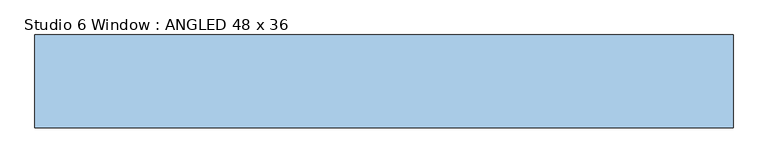
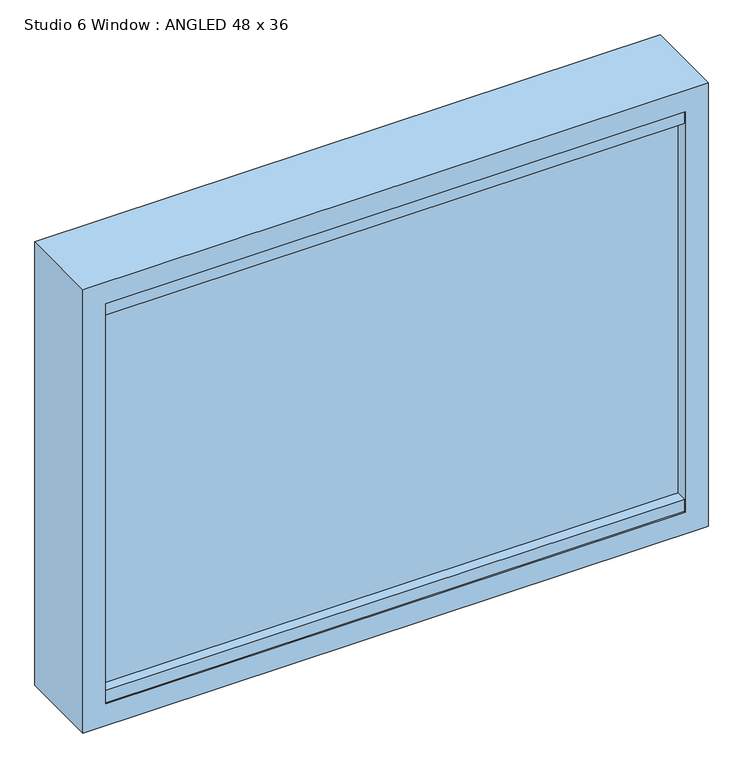
"""IFC4 building model written with IfcOpenShell, lengths in millimetres: window geometry, Studio 6 Window : ANGLED 48 x 36."""

import ifcopenshell
import ifcopenshell.guid

model = None  # the IFC model being written
_history = None  # IfcOwnerHistory: only IFC2X3 demands one
_inside = {}  # id of a spatial element -> (the spatial element, [elements in it])
_under = {}  # id of a project, library or spatial element -> (it, [spatial elements below it])
_declared = {}  # id of a project -> (the project, [libraries it declares])
_typed = {}  # id of a type object -> (the type object, [elements of that type])
_made_of = {}  # id of a material, layer set ... -> (it, [elements and type objects made of it])


def new_model(schema):
    """Start an empty IFC model of exactly this schema.

    Asked for "IFC4X3", IfcOpenShell would pick the latest addendum, in which some entities
    have other attributes; the version numbers below select the first issue.
    IFC2X3 requires an IfcOwnerHistory on every rooted entity: one is made here for all.
    """
    global model, _history
    if schema == "IFC4X3":
        model = ifcopenshell.file(schema_version=(4, 3, 0, 0))
    else:
        model = ifcopenshell.file(schema=schema)
    _inside.clear()
    _under.clear()
    _declared.clear()
    _typed.clear()
    _made_of.clear()
    _history = None
    if model.schema == "IFC2X3":
        org = make("IfcOrganization", Name="unknown")
        user = make(
            "IfcPersonAndOrganization",
            ThePerson=make("IfcPerson", FamilyName="unknown"),
            TheOrganization=org,
        )
        app = make(
            "IfcApplication",
            ApplicationDeveloper=org,
            Version="unknown",
            ApplicationFullName="unknown",
            ApplicationIdentifier="unknown",
        )
        _history = make(
            "IfcOwnerHistory",
            OwningUser=user,
            OwningApplication=app,
            ChangeAction="ADDED",
            CreationDate=0,
        )
    return model


def make(cls, **values):
    """One entity of the class cls with the attributes given. An attribute that is None is left unset."""
    return model.create_entity(
        cls, **{name: value for name, value in values.items() if value is not None}
    )


def rooted(cls, **values):
    """An entity with a GlobalId (a new one), such as an element, a storey or a relation."""
    return make(cls, GlobalId=ifcopenshell.guid.new(), OwnerHistory=_history, **values)


def si_unit(unit_type, name, prefix=None):
    """IfcSIUnit, for example si_unit("LENGTHUNIT", "METRE", prefix="MILLI")."""
    return make("IfcSIUnit", UnitType=unit_type, Prefix=prefix, Name=name)


def assignment(units):
    """IfcUnitAssignment: the units of a project."""
    return None if units is None else make("IfcUnitAssignment", Units=units)


def point(xyz):
    """IfcCartesianPoint."""
    return None if xyz is None else make("IfcCartesianPoint", Coordinates=xyz)


def direction(xyz):
    """IfcDirection."""
    return None if xyz is None else make("IfcDirection", DirectionRatios=xyz)


def frame(location, z_axis=None, x_axis=None):
    """IfcAxis2Placement3D, a coordinate frame: its origin and axes. An axis left out is left unset."""
    return make(
        "IfcAxis2Placement3D",
        Location=point(location),
        Axis=direction(z_axis),
        RefDirection=direction(x_axis),
    )


def origin():
    """The frame at (0, 0, 0) with its axes left unset."""
    return frame((0.0, 0.0, 0.0))


def place(relative_to, where):
    """IfcLocalPlacement: puts the frame where relative to a parent placement (None: the world)."""
    return make(
        "IfcLocalPlacement", PlacementRelTo=relative_to, RelativePlacement=where
    )


def context(
    kind, dimensions, precision=None, world=None, true_north=None, identifier=None
):
    """IfcGeometricRepresentationContext, for example the 3D "Model" context."""
    return make(
        "IfcGeometricRepresentationContext",
        ContextIdentifier=identifier,
        ContextType=kind,
        CoordinateSpaceDimension=dimensions,
        Precision=precision,
        WorldCoordinateSystem=world,
        TrueNorth=true_north,
    )


def project(units=None, contexts=None):
    """IfcProject with its units and contexts."""
    return rooted(
        "IfcProject",
        Name="project",
        RepresentationContexts=contexts,
        UnitsInContext=assignment(units),
    )


def spatial(cls, under=None, at=None, **own):
    """A site, building, storey or space (cls), placed at a placement, below another one or the project."""
    s = rooted(cls, ObjectPlacement=at, **own)
    if under is not None:
        _under.setdefault(under.id(), (under, []))[1].append(s)
    return s


def polyline(points):
    """IfcPolyline through the points."""
    return make("IfcPolyline", Points=[point(p) for p in points])


def outline(outer, holes=None, kind="AREA"):
    """IfcArbitraryClosedProfileDef: a profile drawn as a closed curve; with holes, ...WithVoids."""
    if holes is None:
        return make("IfcArbitraryClosedProfileDef", ProfileType=kind, OuterCurve=outer)
    return make(
        "IfcArbitraryProfileDefWithVoids",
        ProfileType=kind,
        OuterCurve=outer,
        InnerCurves=holes,
    )


def extrude(swept, where, along, depth):
    """IfcExtrudedAreaSolid: the profile swept, set in the frame where, extruded along a direction by depth."""
    return make(
        "IfcExtrudedAreaSolid",
        SweptArea=swept,
        Position=where,
        ExtrudedDirection=direction(along),
        Depth=depth,
    )


def shape(context_of_items, identifier, shape_type, items):
    """IfcShapeRepresentation: the items that make up one representation, for example the "Body"."""
    return make(
        "IfcShapeRepresentation",
        ContextOfItems=context_of_items,
        RepresentationIdentifier=identifier,
        RepresentationType=shape_type,
        Items=items,
    )


def source(mapping_origin, context_of_items, identifier, shape_type, items):
    """IfcRepresentationMap: a shape defined once, which mapped items show again and again."""
    return make(
        "IfcRepresentationMap",
        MappingOrigin=mapping_origin,
        MappedRepresentation=shape(context_of_items, identifier, shape_type, items),
    )


def transform(
    local_origin,
    x_axis=None,
    y_axis=None,
    z_axis=None,
    scale=None,
    scale2=None,
    scale3=None,
    uniform=True,
):
    """IfcCartesianTransformationOperator3D, or its non-uniform kind. x_axis, y_axis, z_axis: its Axis1, 2, 3."""
    if uniform:
        return make(
            "IfcCartesianTransformationOperator3D",
            Axis1=direction(x_axis),
            Axis2=direction(y_axis),
            LocalOrigin=point(local_origin),
            Scale=scale,
            Axis3=direction(z_axis),
        )
    return make(
        "IfcCartesianTransformationOperator3DnonUniform",
        Axis1=direction(x_axis),
        Axis2=direction(y_axis),
        LocalOrigin=point(local_origin),
        Scale=scale,
        Axis3=direction(z_axis),
        Scale2=scale2,
        Scale3=scale3,
    )


def mapped(mapping_source, mapping_target):
    """IfcMappedItem: shows the shape of a source again, moved by a transform."""
    return make(
        "IfcMappedItem", MappingSource=mapping_source, MappingTarget=mapping_target
    )


def made_of(thing, what):
    """Note that an element or type object is made of a material, layer set ...; save() writes the relation."""
    if what is not None:
        _made_of.setdefault(what.id(), (what, []))[1].append(thing)
    return thing


def element(
    cls,
    number,
    at=None,
    inside=None,
    cuts=None,
    type_object=None,
    material=None,
    context=None,
    identifier="Body",
    shape_type=None,
    held_by="IfcProductDefinitionShape",
    body=None,
    shapes=None,
    **own,
):
    """One element of the class cls, such as IfcWall. Its Tag is "e" and its number.

    at: its placement. inside: the storey or other place that contains it. cuts: it is an
    opening in that element (IfcRelVoidsElement). A single representation is given by context,
    identifier, shape_type and body (its items); several are given by shapes. held_by: the class
    of the entity that holds the representations. save() writes the other relations.
    """
    e = rooted(cls, Tag="e%d" % number, ObjectPlacement=at, **own)
    if body is not None:
        shapes = [shape(context, identifier, shape_type, body)]
    if shapes is not None:
        e.Representation = make(held_by, Representations=shapes)
    if inside is not None:
        _inside.setdefault(inside.id(), (inside, []))[1].append(e)
    if cuts is not None:
        rooted(
            "IfcRelVoidsElement", RelatingBuildingElement=cuts, RelatedOpeningElement=e
        )
    if type_object is not None:
        _typed.setdefault(type_object.id(), (type_object, []))[1].append(e)
    return made_of(e, material)


def aggregate(whole, parts):
    """IfcRelAggregates: a whole, such as a stair, and the parts it consists of."""
    return rooted("IfcRelAggregates", RelatingObject=whole, RelatedObjects=parts)


def save(model, path):
    """Write the relations noted so far, then the file.

    IfcRelAggregates (storeys below a building ...), IfcRelContainedInSpatialStructure (elements
    in a storey), IfcRelDefinesByType, IfcRelAssociatesMaterial and IfcRelDeclares: one each for
    every whole, place, type object, material and project.
    """
    for whole, parts in _under.values():
        aggregate(whole, parts)
    for where, things in _inside.values():
        rooted(
            "IfcRelContainedInSpatialStructure",
            RelatedElements=things,
            RelatingStructure=where,
        )
    for kind, things in _typed.values():
        rooted("IfcRelDefinesByType", RelatedObjects=things, RelatingType=kind)
    for what, things in _made_of.values():
        rooted("IfcRelAssociatesMaterial", RelatedObjects=things, RelatingMaterial=what)
    for by, libraries in _declared.values():
        rooted("IfcRelDeclares", RelatingContext=by, RelatedDefinitions=libraries)
    model.write(path)


def studio_6_window_angled_48_x_36_5503c76e(model_context):
    return source(origin(), model_context, "Body", "SweptSolid", [
        extrude(outline(polyline([(1714.4, -609.6), (800.0, -609.6), (800.0, 609.6), (1714.4, 609.6), (1714.4, -609.6)]), holes=[polyline([(1669.95, -565.15), (1669.95, 565.15), (844.45, 565.15), (844.45, -565.15), (1669.95, -565.15)])]), frame((0.0, -60.325, 0.0), z_axis=(0.0, 1.0, 0.0), x_axis=(0.0, 0.0, 1.0)), (0.0, 0.0, 1.0), 161.925),
        extrude(outline(polyline([(565.15, -57.8905282), (-565.15, -57.8905282), (-565.15, 20.6375), (565.15, 20.6375), (565.15, -57.8905282)])), frame((0.0, 0.0, 1644.55), z_axis=(0.0, 0.0, 1.0), x_axis=(1.0, 0.0, 0.0)), (0.0, 0.0, 1.0), 25.4),
        extrude(outline(polyline([(565.15, -57.8905282), (-565.15, -57.8905282), (-565.15, 99.1655282), (565.15, 99.1655282), (565.15, -57.8905282)])), frame((0.0, 0.0, 844.45), z_axis=(0.0, 0.0, 1.0), x_axis=(1.0, 0.0, 0.0)), (0.0, 0.0, 1.0), 25.4),
        extrude(outline(polyline([(565.15, -37.0108841), (-565.15, -37.0108841), (-565.15, -28.6152456), (565.15, -28.6152456), (565.15, -37.0108841)])), frame((0.0, 0.0, 863.5), z_axis=(0.0, 0.0, 1.0), x_axis=(1.0, 0.0, 0.0)), (0.0, 0.0, 1.0), 787.428847),
        extrude(outline(polyline([(0.0, 26.050526), (1130.3, 26.050526), (1130.3, 0.0), (0.0, 0.0), (0.0, 26.050526)])), frame((565.15, 92.2257809, 866.9097936), z_axis=(0.0, -0.10031054094934184, 0.9949561776151), x_axis=(-1.0, 0.0, 0.0)), (0.0, 0.0, 1.0), 787.428847),
    ])


if __name__ == "__main__":
    model = new_model("IFC4")
    model_context = context("Model", 3, world=origin())
    ifc_project = project(units=[si_unit("LENGTHUNIT", "METRE", prefix="MILLI")], contexts=[model_context])
    site = spatial("IfcSite", under=ifc_project)
    building = spatial("IfcBuilding", under=site)
    placement = place(None, origin())
    studio_6_window_angled_48_x_36_shape = studio_6_window_angled_48_x_36_5503c76e(model_context)
    element("IfcWindow", 1, ObjectType="Studio 6 Window : ANGLED 48 x 36", at=placement, inside=building, context=model_context, shape_type="MappedRepresentation", body=[
        mapped(studio_6_window_angled_48_x_36_shape, transform((0.0, 0.0, 0.0), x_axis=(1.0, 0.0, 0.0), y_axis=(0.0, 1.0, 0.0), z_axis=(0.0, 0.0, 1.0))),
    ])
    save(model, "model.ifc")
